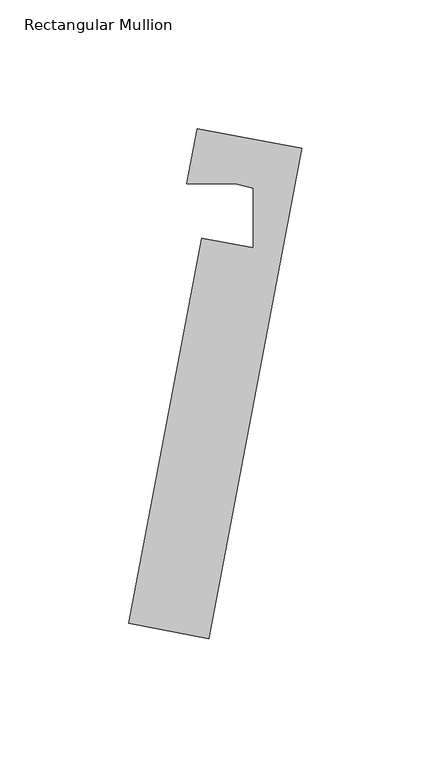
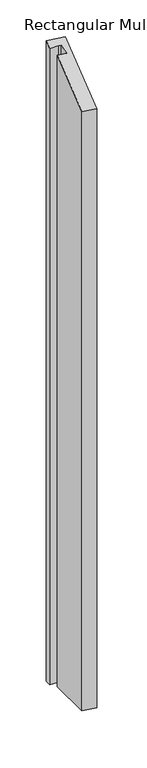
"""IFC4 building model written with IfcOpenShell, lengths in millimetres: member geometry, Rectangular Mullion."""

from ifc_helpers import new_model, si_unit, origin, place, context, project, spatial, faceted_brep, source, transform, mapped, element, save


def rectangular_mullion_52c2e815(model_context):
    return source(origin(), model_context, "Body", "Brep", [
        faceted_brep([(-60.3946181, -148.380221, -42.0759037), (-32.0206208, 1.3551331, -1.2404468), (-32.0206208, 1.3551331, -1576.5214858), (-60.3946181, -148.380221, -1535.7200565), (-29.1997526, -154.2914704, -42.0761141), (-29.1997526, -154.2914704, -1535.7198463), (6.8881085, 36.1515119, 9.8610269), (6.8881085, 36.1515119, -1587.6137088), (-33.6646913, 43.8360366, 9.8613004), (-33.6646913, 43.8360366, -1587.6139821), (-37.7368459, 22.3464488, 4.0007129), (-37.7368459, 22.3464488, -1581.7582782), (-18.1300226, 22.2832436, 4.9620725), (-18.1300226, 22.2832436, -1582.7188367), (-11.9513915, 20.7630132, 4.870042), (-11.9513915, 20.7630132, -1582.6268828), (-12.0261692, -2.4337016, -1.2405816), (-12.0261692, -2.4337016, -1576.5213511)], [[[0, 1, 2, 3]], [[4, 0, 3, 5]], [[6, 4, 5, 7]], [[8, 6, 7, 9]], [[10, 8, 9, 11]], [[12, 10, 11, 13]], [[14, 12, 13, 15]], [[16, 14, 15, 17]], [[1, 16, 17, 2]], [[1, 0, 4, 6, 8, 10, 12, 14, 16]], [[2, 17, 15, 13, 11, 9, 7, 5, 3]]]),
    ])


if __name__ == "__main__":
    model = new_model("IFC4")
    model_context = context("Model", 3, world=origin())
    ifc_project = project(units=[si_unit("LENGTHUNIT", "METRE", prefix="MILLI")], contexts=[model_context])
    site = spatial("IfcSite", under=ifc_project)
    building = spatial("IfcBuilding", under=site)
    placement = place(None, origin())
    rectangular_mullion_shape = rectangular_mullion_52c2e815(model_context)
    element("IfcMember", 1, ObjectType="Rectangular Mullion", at=placement, inside=building, context=model_context, shape_type="MappedRepresentation", body=[
        mapped(rectangular_mullion_shape, transform((0.0, 0.0, 0.0), x_axis=(1.0, 0.0, 0.0), y_axis=(0.0, 1.0, 0.0), z_axis=(0.0, 0.0, 1.0))),
    ])
    save(model, "model.ifc")
